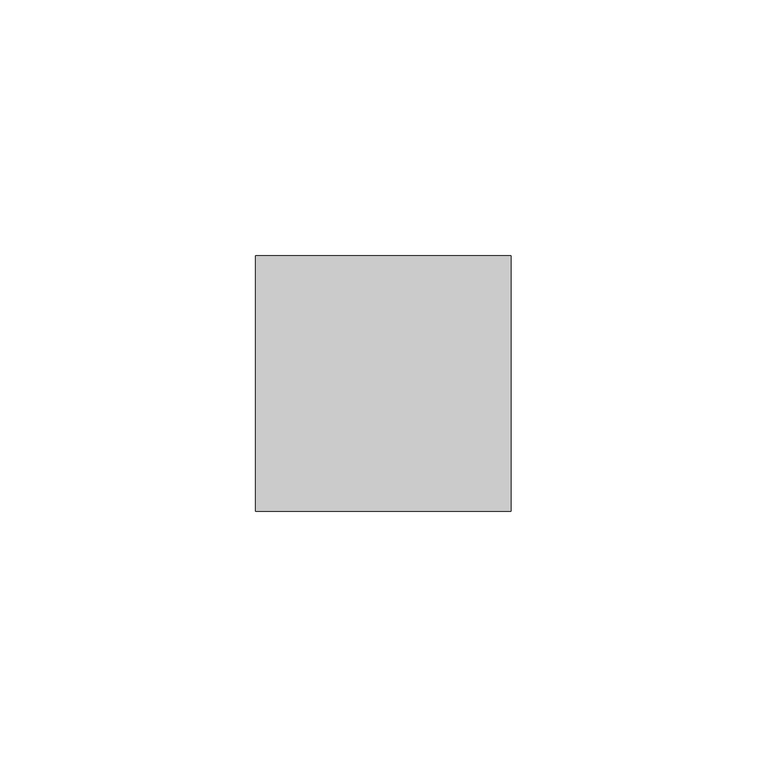
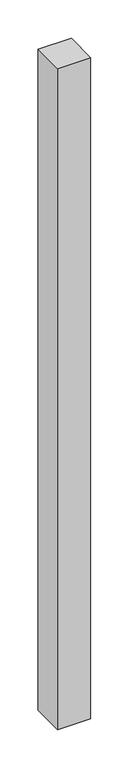
"""IFC4 building model written with IfcOpenShell, lengths in millimetres: member geometry."""

from ifc_helpers import new_model, si_unit, frame, origin, place, context, project, spatial, polyline, outline, extrude, source, transform, mapped, element, save


def member_42dff1e8(model_context):
    return source(origin(), model_context, "Body", "SweptSolid", [
        extrude(outline(polyline([(25.0, 25.0), (25.0, -25.0), (-25.0, -25.0), (-25.0, 25.0), (25.0, 25.0)])), frame((0.0, 0.0, -1050.0), z_axis=(0.0, 0.0, 1.0), x_axis=(1.0, 0.0, 0.0)), (0.0, 0.0, 1.0), 1050.0),
    ])


if __name__ == "__main__":
    model = new_model("IFC4")
    model_context = context("Model", 3, world=origin())
    ifc_project = project(units=[si_unit("LENGTHUNIT", "METRE", prefix="MILLI")], contexts=[model_context])
    site = spatial("IfcSite", under=ifc_project)
    building = spatial("IfcBuilding", under=site)
    placement = place(None, origin())
    member_shape = member_42dff1e8(model_context)
    element("IfcMember", 1, at=placement, inside=building, context=model_context, shape_type="MappedRepresentation", body=[
        mapped(member_shape, transform((0.0, 0.0, 0.0), x_axis=(1.0, 0.0, 0.0), y_axis=(0.0, 1.0, 0.0), z_axis=(0.0, 0.0, 1.0))),
    ])
    save(model, "model.ifc")
